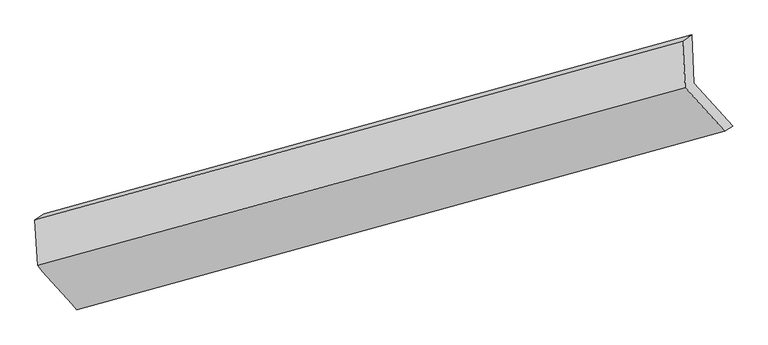
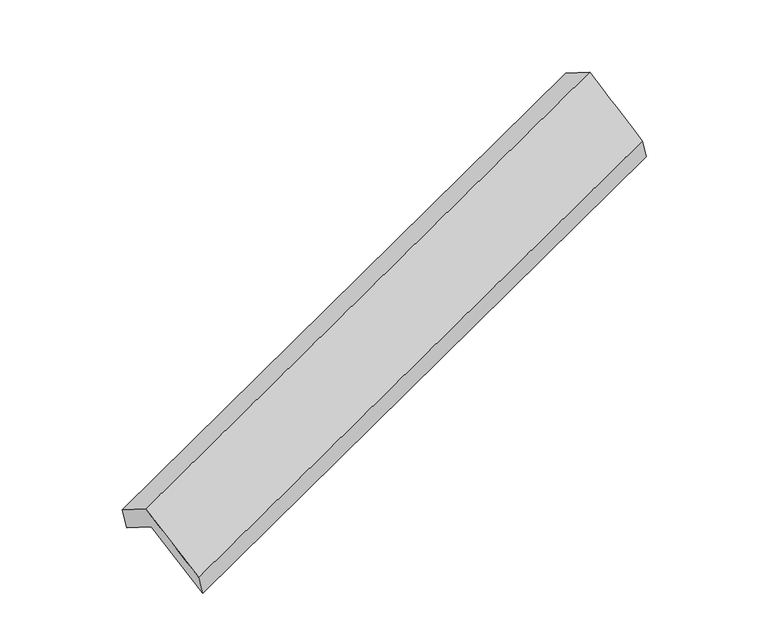
"""IFC4 building model written with IfcOpenShell, lengths in millimetres: proxy geometry."""

from ifc_helpers import new_model, si_unit, frame, origin, place, context, project, spatial, source, transform, mapped, element, save
from ifc_brep_helpers import plane_surface, spline_surface, advanced_brep


def generic_models_45d7b7d3(model_context):
    return source(origin(), model_context, "Body", "AdvancedBrep", [
        advanced_brep(
        [(-5205.8063672, -2132.4729034, 1250.0182986), (-5225.1617637, -1792.2512196, 1040.9595296), (-640.4829853, -525.2096601, 2678.4738939), (-625.4659616, -866.6493128, 2900.6215635), (-5289.2922724, -1836.2057978, 1254.5210515), (-704.613494, -569.1642383, 2892.0354157), (-5270.9051572, -2159.407406, 1453.1213569), (-685.9055884, -898.0045779, 3094.1005981), (-4991.9509329, -2473.9157388, 915.46477), (-407.2721545, -1206.8741792, 2552.9791342), (-4935.0266317, -2437.7648679, 728.1172277), (-350.3478533, -1170.7233084, 2365.631592)],
        [
            (0, 1),
            (1, 2),
            (2, 3),
            (3, 0),
            (1, 4),
            (4, 5),
            (5, 2),
            (4, 6),
            (6, 7),
            (7, 5),
            (6, 8),
            (8, 9),
            (9, 7),
            (8, 10),
            (10, 11),
            (11, 9),
            (10, 0),
            (3, 11),
        ],
        [
            spline_surface(1, 1, [[(-5205.8063672, -2132.4729034, 1250.0182986), (-625.4659616, -866.6493128, 2900.6215635)], [(-5225.1617637, -1792.2512196, 1040.9595296), (-640.4829853, -525.2096601, 2678.4738939)]], [2, 2], [2, 2], [0.0, 1.0], [0.0, 1.0]),
            plane_surface(frame((-5257.2270181, -1814.2285087, 1147.7402906), z_axis=(-0.2996295100047511, 0.9482392559068343, 0.10518778584781603), x_axis=(-0.2821732601054927, -0.1933994736072075, 0.9396674384535696))),
            plane_surface(frame((-5280.0987148, -1997.8066019, 1353.8212042), z_axis=(-0.40872444267765273, 0.4608184132409135, 0.7877758056553712), x_axis=(0.04841406760527231, -0.8510037795758658, 0.5229231733299868))),
            spline_surface(1, 1, [[(-5270.9051572, -2159.407406, 1453.1213569), (-685.9055884, -898.0045779, 3094.1005981)], [(-4991.9509329, -2473.9157388, 915.46477), (-407.2721545, -1206.8741792, 2552.9791342)]], [2, 2], [2, 2], [0.0, 1.0], [0.0, 1.0]),
            plane_surface(frame((-4963.4887823, -2455.8403034, 821.7909989), z_axis=(0.29608715633823074, -0.9505774444555958, -0.09346078291887565), x_axis=(0.28588806871870853, 0.1815587093106437, -0.9409061840788061))),
            spline_surface(1, 1, [[(-4935.0266317, -2437.7648679, 728.1172277), (-350.3478533, -1170.7233084, 2365.631592)], [(-5205.8063672, -2132.4729034, 1250.0182986), (-625.4659616, -866.6493128, 2900.6215635)]], [2, 2], [2, 2], [0.0, 1.0], [0.0, 1.0]),
            plane_surface(frame((-569.0146729, -872.7708795, 2747.3070329), z_axis=(0.9113728150519572, 0.2518709136955065, 0.32551595171122055), x_axis=(0.28588806871870853, 0.1815587093106437, -0.9409061840788061))),
            plane_surface(frame((-5153.0238542, -2138.6696556, 1107.0337057), z_axis=(-0.9113728150519709, -0.2518709136953603, -0.325515951711296), x_axis=(0.40872444267764685, -0.46081841324087813, -0.7877758056553948))),
        ],
        [
            (0, [[1, 2, 3, 4]]),
            (1, [[5, 6, 7, -2]]),
            (2, [[8, 9, 10, -6]]),
            (3, [[11, 12, 13, -9]]),
            (4, [[14, 15, 16, -12]]),
            (5, [[17, -4, 18, -15]]),
            (6, [[-16, -18, -3, -7, -10, -13]]),
            (7, [[-17, -14, -11, -8, -5, -1]]),
        ],
    ),
    ])


if __name__ == "__main__":
    model = new_model("IFC4")
    model_context = context("Model", 3, world=origin())
    ifc_project = project(units=[si_unit("LENGTHUNIT", "METRE", prefix="MILLI")], contexts=[model_context])
    site = spatial("IfcSite", under=ifc_project)
    building = spatial("IfcBuilding", under=site)
    placement = place(None, origin())
    generic_models_shape = generic_models_45d7b7d3(model_context)
    element("IfcBuildingElementProxy", 1, Name="Generic Models", at=placement, inside=building, context=model_context, shape_type="MappedRepresentation", body=[
        mapped(generic_models_shape, transform((0.0, 0.0, 0.0), x_axis=(1.0, 0.0, 0.0), y_axis=(0.0, 1.0, 0.0), z_axis=(0.0, 0.0, 1.0))),
    ])
    save(model, "model.ifc")
